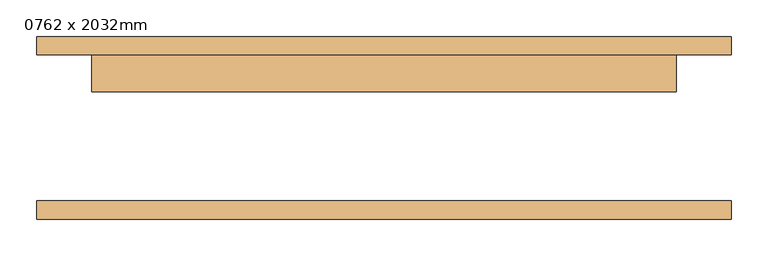
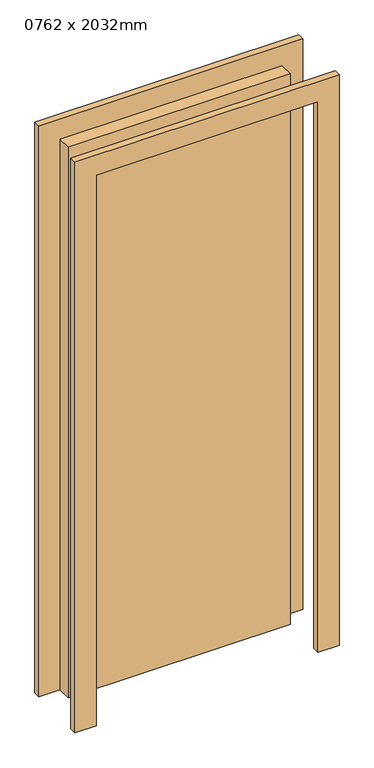
"""IFC4 building model written with IfcOpenShell, lengths in millimetres: door geometry, 0762 x 2032mm."""

from ifc_helpers import new_model, si_unit, frame, origin, origin_with_axes, place, context, project, spatial, polyline, outline, extrude, source, transform, mapped, element, save


def door_0762_x_2032mm_3bf131ec(model_context):
    return source(origin(), model_context, "Body", "SweptSolid", [
        extrude(outline(polyline([(2176.0, -476.0), (0.0, -476.0), (0.0, -400.0), (2100.0, -400.0), (2100.0, 400.0), (0.0, 400.0), (0.0, 476.0), (2176.0, 476.0), (2176.0, -476.0)])), frame((0.0, 100.0, 0.0), z_axis=(0.0, 1.0, 0.0), x_axis=(0.0, 0.0, 1.0)), (0.0, 0.0, 1.0), 25.0),
        extrude(outline(polyline([(2176.0, 476.0), (2176.0, -476.0), (0.0, -476.0), (0.0, -400.0), (2100.0, -400.0), (2100.0, 400.0), (0.0, 400.0), (0.0, 476.0), (2176.0, 476.0)])), frame((0.0, -125.0, 0.0), z_axis=(0.0, 1.0, 0.0), x_axis=(0.0, 0.0, 1.0)), (0.0, 0.0, 1.0), 25.0),
        extrude(outline(polyline([(400.0, 49.0), (-400.0, 49.0), (-400.0, 100.0), (400.0, 100.0), (400.0, 49.0)])), origin_with_axes(), (0.0, 0.0, 1.0), 2100.0),
    ])


if __name__ == "__main__":
    model = new_model("IFC4")
    model_context = context("Model", 3, world=origin())
    ifc_project = project(units=[si_unit("LENGTHUNIT", "METRE", prefix="MILLI")], contexts=[model_context])
    site = spatial("IfcSite", under=ifc_project)
    building = spatial("IfcBuilding", under=site)
    placement = place(None, origin())
    door_0762_x_2032mm_shape = door_0762_x_2032mm_3bf131ec(model_context)
    element("IfcDoor", 1, ObjectType="0762 x 2032mm", at=placement, inside=building, context=model_context, shape_type="MappedRepresentation", body=[
        mapped(door_0762_x_2032mm_shape, transform((0.0, 0.0, 0.0), x_axis=(1.0, 0.0, 0.0), y_axis=(0.0, 1.0, 0.0), z_axis=(0.0, 0.0, 1.0))),
    ])
    save(model, "model.ifc")
